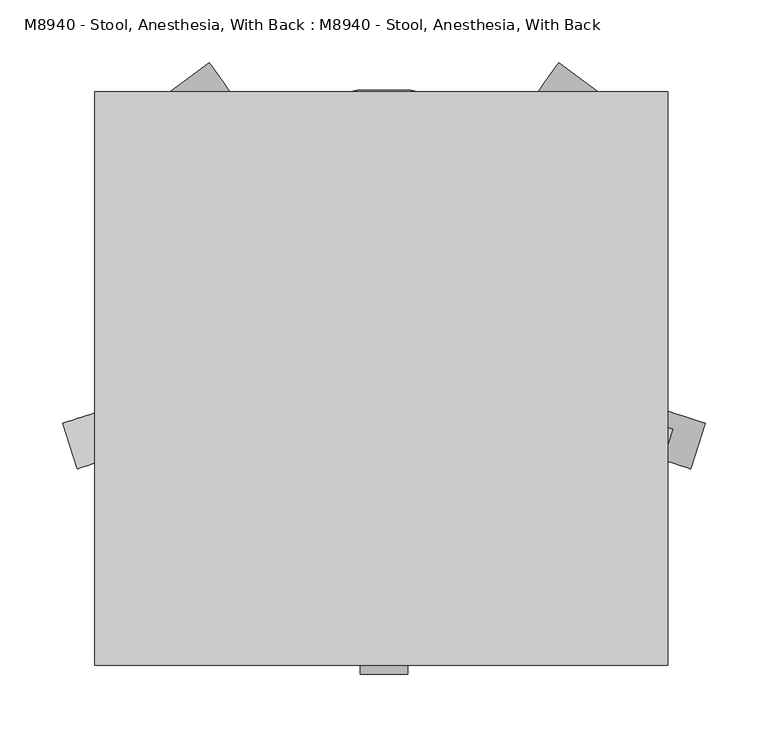
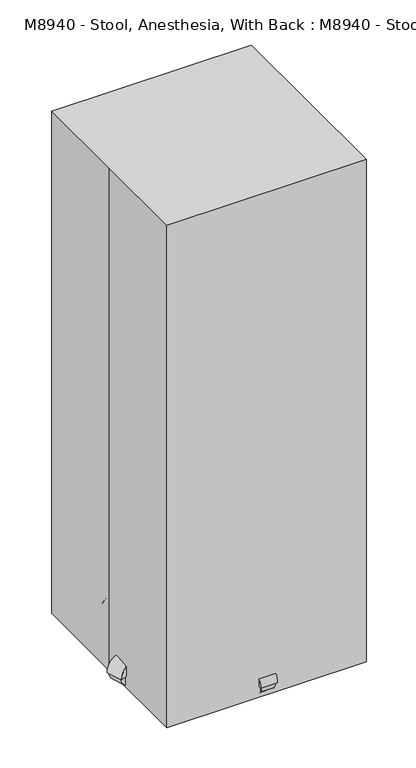
"""IFC4 building model written with IfcOpenShell, lengths in millimetres: proxy geometry, M8940 - Stool, Anesthesia, With Back : M8940 - Stool, Anesthesia, With Back."""

from ifc_helpers import new_model, si_unit, point, frame, frame_2d, origin, origin_with_axes, place, context, project, spatial, polyline, circle_curve, trimmed, segment, composite_curve, outline, extrude, source, transform, mapped, element, save


def m8940_stool_anesthesia_with_back_m8940_stool_anesthesia_with_b7f9c6ce(model_context):
    return source(origin(), model_context, "Body", "SweptSolid", [
        extrude(outline(polyline([(-194.3763903, 810.4581371), (-199.9573639, 867.9189609), (-183.2342494, 869.54322), (-177.5948633, 811.4809912), (-184.5195063, 712.4539826), (-184.5195063, 647.7), (-208.5714887, 647.7), (-194.3763903, 810.4581371)])), frame((-19.05, 0.0, 0.0), z_axis=(1.0, 0.0, 0.0), x_axis=(0.0, 1.0, 0.0)), (0.0, 0.0, 1.0), 40.4715924),
        extrude(outline(polyline([(-212.9379653, 1088.7460454), (-189.8813283, 1085.716122), (-188.9012405, 1074.513667), (-187.3514924, 1026.2801181), (-186.0820596, 1011.7704347), (-182.4541996, 970.3038054), (-177.5608694, 914.372785), (-173.2697332, 883.4203304), (-172.2507076, 873.7249491), (-173.8183734, 840.8702628), (-199.8242973, 838.5950393), (-207.041074, 851.2346071), (-216.2197136, 905.6346351), (-227.1133835, 1030.1498522), (-226.7876108, 1060.1366292), (-220.4916014, 1088.2178437), (-212.9379653, 1088.7460454)])), frame((-209.55, 0.0, 0.0), z_axis=(1.0, 0.0, 0.0), x_axis=(0.0, 1.0, 0.0)), (0.0, 0.0, 1.0), 406.4),
        extrude(outline(composite_curve([segment(polyline([(20.4732576, -184.5195063), (-16.8796133, -184.5195063), (-16.8796133, 10.9732945)]), True, "CONTINUOUS"), segment(trimmed(circle_curve(frame_2d((1.7968221, 27.0144229)), 24.6196474), [point((-16.8796133, 10.9732945))], [point((20.4732576, 10.9732945))], True, "CARTESIAN"), True, "CONTINUOUS"), segment(polyline([(20.4732576, 10.9732945), (20.4732576, -184.5195063)]), True, "CONTINUOUS")], self_intersect=False)), frame((0.0, 0.0, 647.7), z_axis=(0.0, 0.0, 1.0), x_axis=(1.0, 0.0, 0.0)), (0.0, 0.0, 1.0), 38.1),
        extrude(outline(composite_curve([segment(trimmed(circle_curve(frame_2d((2.1703867, 27.8442581)), 203.2), [point((-201.0296133, 27.8442581))], [point((205.3703867, 27.8442581))], False, "CARTESIAN"), True, "CONTINUOUS"), segment(trimmed(circle_curve(frame_2d((2.1703867, 27.8442581)), 203.2), [point((205.3703867, 27.8442581))], [point((-201.0296133, 27.8442581))], False, "CARTESIAN"), True, "CONTINUOUS")], self_intersect=False)), frame((0.0, 0.0, 711.2), z_axis=(0.0, 0.0, 1.0), x_axis=(1.0, 0.0, 0.0)), (0.0, 0.0, 1.0), 50.8),
        extrude(outline(composite_curve([segment(trimmed(circle_curve(frame_2d((0.0, 25.7612183)), 25.7612183), [point((0.0, 51.5224365))], [point((0.0, 0.0))], False, "CARTESIAN"), True, "CONTINUOUS"), segment(trimmed(circle_curve(frame_2d((0.0, 25.7612183)), 25.7612183), [point((0.0, 0.0))], [point((0.0, 51.5224365))], False, "CARTESIAN"), True, "CONTINUOUS")], self_intersect=False)), frame((245.2158284, -67.8179558, 25.7612183), z_axis=(0.3090169943748919, 0.9510565162951716, 0.0), x_axis=(0.0, 0.0, -1.0)), (0.0, 0.0, 1.0), 31.75),
        extrude(outline(composite_curve([segment(polyline([(57.1058784, 0.0), (0.6783149, 0.0)]), True, "CONTINUOUS"), segment(trimmed(circle_curve(frame_2d((28.8920967, 0.0)), 28.2137817), [point((0.6783149, 0.0))], [point((57.1058784, 0.0))], False, "CARTESIAN"), True, "CONTINUOUS")], self_intersect=False)), frame((247.2123418, -71.8050549, 25.7612183), z_axis=(0.30901699437489194, 0.9510565162951716, 0.0), x_axis=(-0.9510565162951716, 0.30901699437489194, 0.0)), (0.0, 0.0, 1.0), 38.1),
        extrude(outline(composite_curve([segment(trimmed(circle_curve(frame_2d((225.6213344, -44.7585541)), 3.5091751), [point((224.5369397, -48.0959779))], [point((226.7057291, -41.4211302))], False, "CARTESIAN"), True, "CONTINUOUS"), segment(trimmed(circle_curve(frame_2d((225.6213344, -44.7585541)), 3.5091751), [point((226.7057291, -41.4211302))], [point((224.5369397, -48.0959779))], False, "CARTESIAN"), True, "CONTINUOUS")], self_intersect=False)), frame((0.0, 0.0, 53.975), z_axis=(0.0, 0.0, 1.0), x_axis=(1.0, 0.0, 0.0)), (0.0, 0.0, 1.0), 13.49375),
        extrude(outline(polyline([(232.199718, -40.2196229), (228.2754417, -52.2973034), (23.6440039, 14.1914812), (27.5682802, 26.2691618), (232.199718, -40.2196229)])), frame((0.0, 0.0, 67.46875), z_axis=(0.0, 0.0, 1.0), x_axis=(1.0, 0.0, 0.0)), (0.0, 0.0, 1.0), 50.8),
        extrude(outline(composite_curve([segment(trimmed(circle_curve(frame_2d((0.0, 25.7612183)), 25.7612183), [point((0.0, 51.5224365))], [point((0.0, 0.0))], False, "CARTESIAN"), True, "CONTINUOUS"), segment(trimmed(circle_curve(frame_2d((0.0, 25.7612183)), 25.7612183), [point((0.0, 0.0))], [point((0.0, 51.5224365))], False, "CARTESIAN"), True, "CONTINUOUS")], self_intersect=False)), frame((168.2557305, 229.4329594, 25.7612183), z_axis=(-0.8090169943749846, 0.5877852522924221, 0.0), x_axis=(0.0, 0.0, -1.0)), (0.0, 0.0, 1.0), 31.75),
        extrude(outline(composite_curve([segment(polyline([(57.1058785, 0.0), (0.6783151, 0.0)]), True, "CONTINUOUS"), segment(trimmed(circle_curve(frame_2d((28.8920968, 0.0)), 28.2137817), [point((0.6783151, 0.0))], [point((57.1058785, 0.0))], False, "CARTESIAN"), True, "CONTINUOUS")], self_intersect=False)), frame((172.6646437, 230.0996751, 25.7612183), z_axis=(-0.8090169943749845, 0.587785252292422, 0.0), x_axis=(-0.587785252292422, -0.8090169943749845, 0.0)), (0.0, 0.0, 1.0), 38.1),
        extrude(outline(composite_curve([segment(trimmed(circle_curve(frame_2d((140.2699045, 217.9232351)), 3.5091751), [point((143.1088868, 215.8605938))], [point((137.4309222, 219.9858765))], False, "CARTESIAN"), True, "CONTINUOUS"), segment(trimmed(circle_curve(frame_2d((140.2699045, 217.9232351)), 3.5091751), [point((137.4309222, 219.9858765))], [point((143.1088868, 215.8605938))], False, "CARTESIAN"), True, "CONTINUOUS")], self_intersect=False)), frame((0.0, 0.0, 53.975), z_axis=(0.0, 0.0, 1.0), x_axis=(1.0, 0.0, 0.0)), (0.0, 0.0, 1.0), 13.49375),
        extrude(outline(polyline([(137.9859568, 225.5822566), (148.2598455, 218.1178395), (21.7906618, 44.0479415), (11.516773, 51.5123586), (137.9859568, 225.5822566)])), frame((0.0, 0.0, 67.46875), z_axis=(0.0, 0.0, 1.0), x_axis=(1.0, 0.0, 0.0)), (0.0, 0.0, 1.0), 50.8),
        extrude(outline(composite_curve([segment(trimmed(circle_curve(frame_2d((0.0, 25.7612183)), 25.7612183), [point((0.0, 51.5224366))], [point((0.0, 0.0))], False, "CARTESIAN"), True, "CONTINUOUS"), segment(trimmed(circle_curve(frame_2d((0.0, 25.7612183)), 25.7612183), [point((0.0, 0.0))], [point((0.0, 51.5224366))], False, "CARTESIAN"), True, "CONTINUOUS")], self_intersect=False)), frame((-163.9149571, 229.4329594, 25.7612183), z_axis=(0.8090169943749151, 0.5877852522925178, 0.0), x_axis=(0.0, 0.0, 1.0)), (0.0, 0.0, 1.0), 31.75),
        extrude(outline(composite_curve([segment(trimmed(circle_curve(frame_2d((-28.8920967, 0.0)), 28.2137817), [point((-57.1058785, 0.0))], [point((-0.678315, 0.0))], False, "CARTESIAN"), True, "CONTINUOUS"), segment(polyline([(-0.678315, 0.0), (-57.1058785, 0.0)]), True, "CONTINUOUS")], self_intersect=False)), frame((-168.3238702, 230.0996751, 25.7612183), z_axis=(0.809016994374915, 0.5877852522925177, 0.0), x_axis=(-0.5877852522925177, 0.809016994374915, 0.0)), (0.0, 0.0, 1.0), 38.1),
        extrude(outline(composite_curve([segment(trimmed(circle_curve(frame_2d((-135.9303651, 217.9223386)), 3.5091751), [point((-133.0913828, 219.98498))], [point((-138.7693474, 215.8596972))], False, "CARTESIAN"), True, "CONTINUOUS"), segment(trimmed(circle_curve(frame_2d((-135.9303651, 217.9223386)), 3.5091751), [point((-138.7693474, 215.8596972))], [point((-133.0913828, 219.98498))], False, "CARTESIAN"), True, "CONTINUOUS")], self_intersect=False)), frame((0.0, 0.0, 53.975), z_axis=(0.0, 0.0, 1.0), x_axis=(1.0, 0.0, 0.0)), (0.0, 0.0, 1.0), 13.49375),
        extrude(outline(polyline([(-143.9203061, 218.116943), (-133.6464173, 225.58136), (-7.1772336, 51.5114621), (-17.4511223, 44.047045), (-143.9203061, 218.116943)])), frame((0.0, 0.0, 67.46875), z_axis=(0.0, 0.0, 1.0), x_axis=(1.0, 0.0, 0.0)), (0.0, 0.0, 1.0), 50.8),
        extrude(outline(composite_curve([segment(trimmed(circle_curve(frame_2d((0.0, 25.7612183)), 25.7612183), [point((0.0, 51.5224365))], [point((0.0, 0.0))], False, "CARTESIAN"), True, "CONTINUOUS"), segment(trimmed(circle_curve(frame_2d((0.0, 25.7612183)), 25.7612183), [point((0.0, 0.0))], [point((0.0, 51.5224365))], False, "CARTESIAN"), True, "CONTINUOUS")], self_intersect=False)), frame((-240.875055, -67.8179558, 25.7612183), z_axis=(-0.3090169943749793, 0.9510565162951433, 0.0), x_axis=(0.0, 0.0, 1.0)), (0.0, 0.0, 1.0), 31.75),
        extrude(outline(composite_curve([segment(trimmed(circle_curve(frame_2d((-28.8920968, 0.0)), 28.2137817), [point((-57.1058784, 0.0))], [point((-0.678315, 0.0))], False, "CARTESIAN"), True, "CONTINUOUS"), segment(polyline([(-0.678315, 0.0), (-57.1058784, 0.0)]), True, "CONTINUOUS")], self_intersect=False)), frame((-242.8715684, -71.8050549, 25.7612183), z_axis=(-0.3090169943749793, 0.9510565162951432, 0.0), x_axis=(-0.9510565162951432, -0.3090169943749793, 0.0)), (0.0, 0.0, 1.0), 38.1),
        extrude(outline(composite_curve([segment(trimmed(circle_curve(frame_2d((-221.2800896, -44.7600047)), 3.5091751), [point((-222.3644844, -41.4225809))], [point((-220.1956949, -48.0974286))], False, "CARTESIAN"), True, "CONTINUOUS"), segment(trimmed(circle_curve(frame_2d((-221.2800896, -44.7600047)), 3.5091751), [point((-220.1956949, -48.0974286))], [point((-222.3644844, -41.4225809))], False, "CARTESIAN"), True, "CONTINUOUS")], self_intersect=False)), frame((0.0, 0.0, 53.975), z_axis=(0.0, 0.0, 1.0), x_axis=(1.0, 0.0, 0.0)), (0.0, 0.0, 1.0), 13.49375),
        extrude(outline(polyline([(-223.9341969, -52.2987541), (-227.8584732, -40.2210735), (-23.2270354, 26.2677111), (-19.3027591, 14.1900305), (-223.9341969, -52.2987541)])), frame((0.0, 0.0, 67.46875), z_axis=(0.0, 0.0, 1.0), x_axis=(1.0, 0.0, 0.0)), (0.0, 0.0, 1.0), 50.8),
        extrude(outline(composite_curve([segment(trimmed(circle_curve(frame_2d((-207.1057246, 25.7612183)), 25.7612183), [point((-181.3445063, 25.7612183))], [point((-232.8669428, 25.7612183))], False, "CARTESIAN"), True, "CONTINUOUS"), segment(trimmed(circle_curve(frame_2d((-207.1057246, 25.7612183)), 25.7612183), [point((-232.8669428, 25.7612183))], [point((-181.3445063, 25.7612183))], False, "CARTESIAN"), True, "CONTINUOUS")], self_intersect=False)), frame((-13.7046133, 0.0, 0.0), z_axis=(1.0, 0.0, 0.0), x_axis=(0.0, 1.0, 0.0)), (0.0, 0.0, 1.0), 31.75),
        extrude(outline(composite_curve([segment(polyline([(-178.8919428, 25.7612183), (-235.3195063, 25.7612183)]), True, "CONTINUOUS"), segment(trimmed(circle_curve(frame_2d((-207.1057246, 25.7612183)), 28.2137817), [point((-235.3195063, 25.7612183))], [point((-178.8919428, 25.7612183))], False, "CARTESIAN"), True, "CONTINUOUS")], self_intersect=False)), frame((-16.8796133, 0.0, 0.0), z_axis=(1.0, 0.0, 0.0), x_axis=(0.0, 1.0, 0.0)), (0.0, 0.0, 1.0), 38.1),
        extrude(outline(composite_curve([segment(trimmed(circle_curve(frame_2d((2.1711494, -207.1057246)), 3.5091751), [point((-1.3380257, -207.1057246))], [point((5.6803245, -207.1057246))], False, "CARTESIAN"), True, "CONTINUOUS"), segment(trimmed(circle_curve(frame_2d((2.1711494, -207.1057246)), 3.5091751), [point((5.6803245, -207.1057246))], [point((-1.3380257, -207.1057246))], False, "CARTESIAN"), True, "CONTINUOUS")], self_intersect=False)), frame((0.0, 0.0, 53.975), z_axis=(0.0, 0.0, 1.0), x_axis=(1.0, 0.0, 0.0)), (0.0, 0.0, 1.0), 13.49375),
        extrude(outline(polyline([(8.5207618, -211.9595323), (-4.178463, -211.9595323), (-4.178463, 3.2026944), (8.5207618, 3.2026944), (8.5207618, -211.9595323)])), frame((0.0, 0.0, 67.46875), z_axis=(0.0, 0.0, 1.0), x_axis=(1.0, 0.0, 0.0)), (0.0, 0.0, 1.0), 50.8),
        extrude(outline(composite_curve([segment(trimmed(circle_curve(frame_2d((2.1703867, 27.8442581)), 25.4466483), [point((-23.2762616, 27.8442581))], [point((27.6170351, 27.8442581))], False, "CARTESIAN"), True, "CONTINUOUS"), segment(trimmed(circle_curve(frame_2d((2.1703867, 27.8442581)), 25.4466483), [point((27.6170351, 27.8442581))], [point((-23.2762616, 27.8442581))], False, "CARTESIAN"), True, "CONTINUOUS")], self_intersect=False)), frame((0.0, 0.0, 67.46875), z_axis=(0.0, 0.0, 1.0), x_axis=(1.0, 0.0, 0.0)), (0.0, 0.0, 1.0), 643.73125),
        extrude(outline(polyline([(-228.6, -228.6), (-228.6, 0.0), (-228.6, 228.6), (228.6, 228.6), (228.6, -228.6), (-228.6, -228.6)])), origin_with_axes(), (0.0, 0.0, 1.0), 1219.2),
    ])


if __name__ == "__main__":
    model = new_model("IFC4")
    model_context = context("Model", 3, world=origin())
    ifc_project = project(units=[si_unit("LENGTHUNIT", "METRE", prefix="MILLI")], contexts=[model_context])
    site = spatial("IfcSite", under=ifc_project)
    building = spatial("IfcBuilding", under=site)
    placement = place(None, origin())
    m8940_stool_anesthesia_with_back_m8940_stool_anesthesia_with_shape = m8940_stool_anesthesia_with_back_m8940_stool_anesthesia_with_b7f9c6ce(model_context)
    element("IfcBuildingElementProxy", 1, Name="M8940 - Stool, Anesthesia, With Back : M8940 - Stool, Anesthesia, With Back", ObjectType="M8940 - Stool, Anesthesia, With Back : M8940 - Stool, Anesthesia, With Back", at=placement, inside=building, context=model_context, shape_type="MappedRepresentation", body=[
        mapped(m8940_stool_anesthesia_with_back_m8940_stool_anesthesia_with_shape, transform((0.0, 0.0, 0.0), x_axis=(1.0, 0.0, 0.0), y_axis=(0.0, 1.0, 0.0), z_axis=(0.0, 0.0, 1.0))),
    ])
    save(model, "model.ifc")
